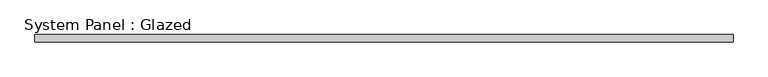
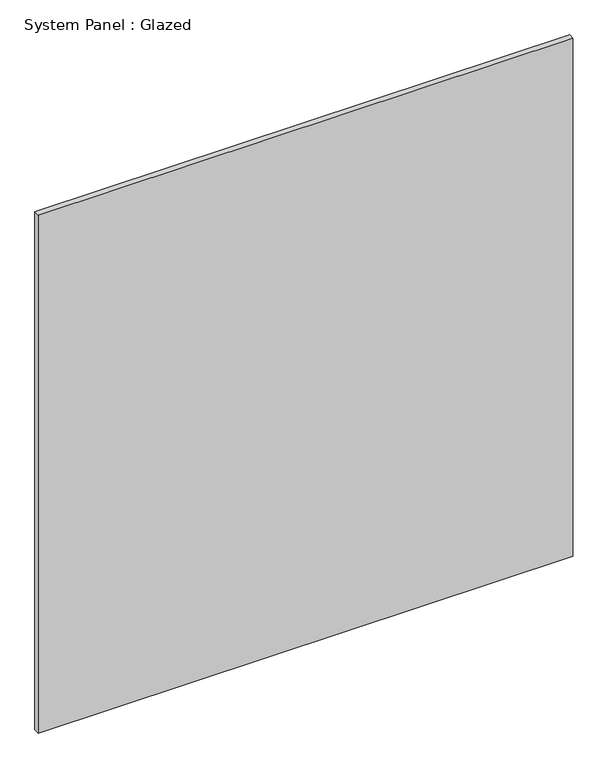
"""IFC4 building model written with IfcOpenShell, lengths in millimetres: plate geometry, System Panel : Glazed."""

from ifc_helpers import new_model, si_unit, origin, origin_with_axes, place, context, project, spatial, polyline, outline, extrude, source, transform, mapped, element, save


def system_panel_glazed_19b04f00(model_context):
    return source(origin(), model_context, "Body", "SweptSolid", [
        extrude(outline(polyline([(1171.7121958, 24.5), (-1171.7121958, 24.5), (-1171.7121958, 49.5), (1171.7121958, 49.5), (1171.7121958, 24.5)])), origin_with_axes(), (0.0, 0.0, 1.0), 2400.0),
    ])


if __name__ == "__main__":
    model = new_model("IFC4")
    model_context = context("Model", 3, world=origin())
    ifc_project = project(units=[si_unit("LENGTHUNIT", "METRE", prefix="MILLI")], contexts=[model_context])
    site = spatial("IfcSite", under=ifc_project)
    building = spatial("IfcBuilding", under=site)
    placement = place(None, origin())
    system_panel_glazed_shape = system_panel_glazed_19b04f00(model_context)
    element("IfcPlate", 1, ObjectType="System Panel : Glazed", at=placement, inside=building, context=model_context, shape_type="MappedRepresentation", body=[
        mapped(system_panel_glazed_shape, transform((0.0, 0.0, 0.0), x_axis=(1.0, 0.0, 0.0), y_axis=(0.0, 1.0, 0.0), z_axis=(0.0, 0.0, 1.0))),
    ])
    save(model, "model.ifc")
